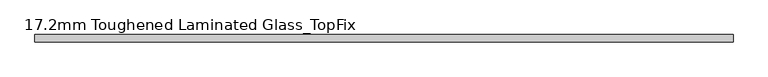
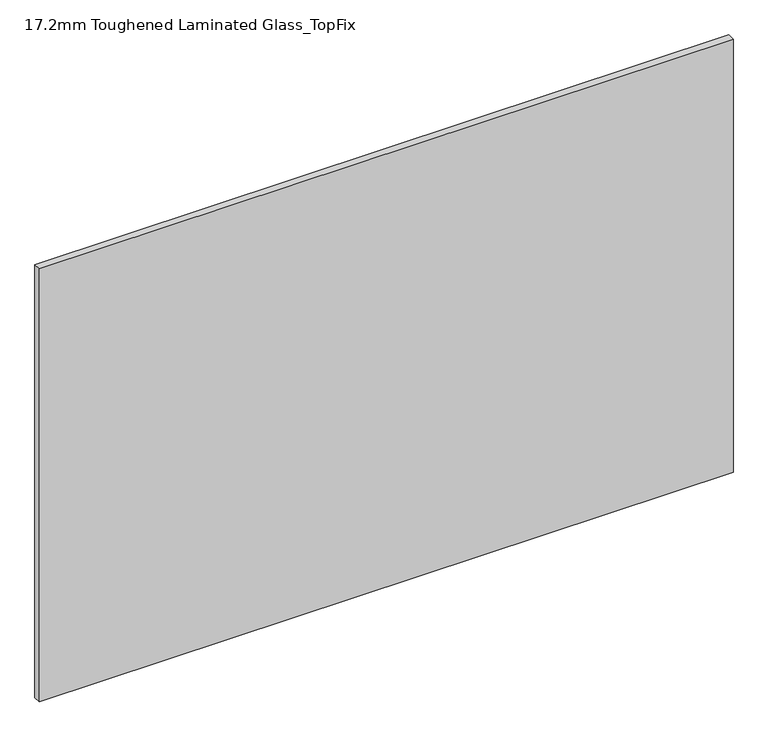
"""IFC4 building model written with IfcOpenShell, lengths in millimetres: plate geometry, 17.2mm Toughened Laminated Glass_TopFix."""

import ifcopenshell
import ifcopenshell.guid

model = None  # the IFC model being written
_history = None  # IfcOwnerHistory: only IFC2X3 demands one
_inside = {}  # id of a spatial element -> (the spatial element, [elements in it])
_under = {}  # id of a project, library or spatial element -> (it, [spatial elements below it])
_declared = {}  # id of a project -> (the project, [libraries it declares])
_typed = {}  # id of a type object -> (the type object, [elements of that type])
_made_of = {}  # id of a material, layer set ... -> (it, [elements and type objects made of it])


def new_model(schema):
    """Start an empty IFC model of exactly this schema.

    Asked for "IFC4X3", IfcOpenShell would pick the latest addendum, in which some entities
    have other attributes; the version numbers below select the first issue.
    IFC2X3 requires an IfcOwnerHistory on every rooted entity: one is made here for all.
    """
    global model, _history
    if schema == "IFC4X3":
        model = ifcopenshell.file(schema_version=(4, 3, 0, 0))
    else:
        model = ifcopenshell.file(schema=schema)
    _inside.clear()
    _under.clear()
    _declared.clear()
    _typed.clear()
    _made_of.clear()
    _history = None
    if model.schema == "IFC2X3":
        org = make("IfcOrganization", Name="unknown")
        user = make(
            "IfcPersonAndOrganization",
            ThePerson=make("IfcPerson", FamilyName="unknown"),
            TheOrganization=org,
        )
        app = make(
            "IfcApplication",
            ApplicationDeveloper=org,
            Version="unknown",
            ApplicationFullName="unknown",
            ApplicationIdentifier="unknown",
        )
        _history = make(
            "IfcOwnerHistory",
            OwningUser=user,
            OwningApplication=app,
            ChangeAction="ADDED",
            CreationDate=0,
        )
    return model


def make(cls, **values):
    """One entity of the class cls with the attributes given. An attribute that is None is left unset."""
    return model.create_entity(
        cls, **{name: value for name, value in values.items() if value is not None}
    )


def rooted(cls, **values):
    """An entity with a GlobalId (a new one), such as an element, a storey or a relation."""
    return make(cls, GlobalId=ifcopenshell.guid.new(), OwnerHistory=_history, **values)


def si_unit(unit_type, name, prefix=None):
    """IfcSIUnit, for example si_unit("LENGTHUNIT", "METRE", prefix="MILLI")."""
    return make("IfcSIUnit", UnitType=unit_type, Prefix=prefix, Name=name)


def assignment(units):
    """IfcUnitAssignment: the units of a project."""
    return None if units is None else make("IfcUnitAssignment", Units=units)


def point(xyz):
    """IfcCartesianPoint."""
    return None if xyz is None else make("IfcCartesianPoint", Coordinates=xyz)


def direction(xyz):
    """IfcDirection."""
    return None if xyz is None else make("IfcDirection", DirectionRatios=xyz)


def frame(location, z_axis=None, x_axis=None):
    """IfcAxis2Placement3D, a coordinate frame: its origin and axes. An axis left out is left unset."""
    return make(
        "IfcAxis2Placement3D",
        Location=point(location),
        Axis=direction(z_axis),
        RefDirection=direction(x_axis),
    )


def origin():
    """The frame at (0, 0, 0) with its axes left unset."""
    return frame((0.0, 0.0, 0.0))


def origin_with_axes():
    """The frame at (0, 0, 0) with the z axis (0, 0, 1) and the x axis (1, 0, 0) written out."""
    return frame((0.0, 0.0, 0.0), z_axis=(0.0, 0.0, 1.0), x_axis=(1.0, 0.0, 0.0))


def place(relative_to, where):
    """IfcLocalPlacement: puts the frame where relative to a parent placement (None: the world)."""
    return make(
        "IfcLocalPlacement", PlacementRelTo=relative_to, RelativePlacement=where
    )


def context(
    kind, dimensions, precision=None, world=None, true_north=None, identifier=None
):
    """IfcGeometricRepresentationContext, for example the 3D "Model" context."""
    return make(
        "IfcGeometricRepresentationContext",
        ContextIdentifier=identifier,
        ContextType=kind,
        CoordinateSpaceDimension=dimensions,
        Precision=precision,
        WorldCoordinateSystem=world,
        TrueNorth=true_north,
    )


def project(units=None, contexts=None):
    """IfcProject with its units and contexts."""
    return rooted(
        "IfcProject",
        Name="project",
        RepresentationContexts=contexts,
        UnitsInContext=assignment(units),
    )


def spatial(cls, under=None, at=None, **own):
    """A site, building, storey or space (cls), placed at a placement, below another one or the project."""
    s = rooted(cls, ObjectPlacement=at, **own)
    if under is not None:
        _under.setdefault(under.id(), (under, []))[1].append(s)
    return s


def polyline(points):
    """IfcPolyline through the points."""
    return make("IfcPolyline", Points=[point(p) for p in points])


def outline(outer, holes=None, kind="AREA"):
    """IfcArbitraryClosedProfileDef: a profile drawn as a closed curve; with holes, ...WithVoids."""
    if holes is None:
        return make("IfcArbitraryClosedProfileDef", ProfileType=kind, OuterCurve=outer)
    return make(
        "IfcArbitraryProfileDefWithVoids",
        ProfileType=kind,
        OuterCurve=outer,
        InnerCurves=holes,
    )


def extrude(swept, where, along, depth):
    """IfcExtrudedAreaSolid: the profile swept, set in the frame where, extruded along a direction by depth."""
    return make(
        "IfcExtrudedAreaSolid",
        SweptArea=swept,
        Position=where,
        ExtrudedDirection=direction(along),
        Depth=depth,
    )


def shape(context_of_items, identifier, shape_type, items):
    """IfcShapeRepresentation: the items that make up one representation, for example the "Body"."""
    return make(
        "IfcShapeRepresentation",
        ContextOfItems=context_of_items,
        RepresentationIdentifier=identifier,
        RepresentationType=shape_type,
        Items=items,
    )


def source(mapping_origin, context_of_items, identifier, shape_type, items):
    """IfcRepresentationMap: a shape defined once, which mapped items show again and again."""
    return make(
        "IfcRepresentationMap",
        MappingOrigin=mapping_origin,
        MappedRepresentation=shape(context_of_items, identifier, shape_type, items),
    )


def transform(
    local_origin,
    x_axis=None,
    y_axis=None,
    z_axis=None,
    scale=None,
    scale2=None,
    scale3=None,
    uniform=True,
):
    """IfcCartesianTransformationOperator3D, or its non-uniform kind. x_axis, y_axis, z_axis: its Axis1, 2, 3."""
    if uniform:
        return make(
            "IfcCartesianTransformationOperator3D",
            Axis1=direction(x_axis),
            Axis2=direction(y_axis),
            LocalOrigin=point(local_origin),
            Scale=scale,
            Axis3=direction(z_axis),
        )
    return make(
        "IfcCartesianTransformationOperator3DnonUniform",
        Axis1=direction(x_axis),
        Axis2=direction(y_axis),
        LocalOrigin=point(local_origin),
        Scale=scale,
        Axis3=direction(z_axis),
        Scale2=scale2,
        Scale3=scale3,
    )


def mapped(mapping_source, mapping_target):
    """IfcMappedItem: shows the shape of a source again, moved by a transform."""
    return make(
        "IfcMappedItem", MappingSource=mapping_source, MappingTarget=mapping_target
    )


def made_of(thing, what):
    """Note that an element or type object is made of a material, layer set ...; save() writes the relation."""
    if what is not None:
        _made_of.setdefault(what.id(), (what, []))[1].append(thing)
    return thing


def element(
    cls,
    number,
    at=None,
    inside=None,
    cuts=None,
    type_object=None,
    material=None,
    context=None,
    identifier="Body",
    shape_type=None,
    held_by="IfcProductDefinitionShape",
    body=None,
    shapes=None,
    **own,
):
    """One element of the class cls, such as IfcWall. Its Tag is "e" and its number.

    at: its placement. inside: the storey or other place that contains it. cuts: it is an
    opening in that element (IfcRelVoidsElement). A single representation is given by context,
    identifier, shape_type and body (its items); several are given by shapes. held_by: the class
    of the entity that holds the representations. save() writes the other relations.
    """
    e = rooted(cls, Tag="e%d" % number, ObjectPlacement=at, **own)
    if body is not None:
        shapes = [shape(context, identifier, shape_type, body)]
    if shapes is not None:
        e.Representation = make(held_by, Representations=shapes)
    if inside is not None:
        _inside.setdefault(inside.id(), (inside, []))[1].append(e)
    if cuts is not None:
        rooted(
            "IfcRelVoidsElement", RelatingBuildingElement=cuts, RelatedOpeningElement=e
        )
    if type_object is not None:
        _typed.setdefault(type_object.id(), (type_object, []))[1].append(e)
    return made_of(e, material)


def aggregate(whole, parts):
    """IfcRelAggregates: a whole, such as a stair, and the parts it consists of."""
    return rooted("IfcRelAggregates", RelatingObject=whole, RelatedObjects=parts)


def save(model, path):
    """Write the relations noted so far, then the file.

    IfcRelAggregates (storeys below a building ...), IfcRelContainedInSpatialStructure (elements
    in a storey), IfcRelDefinesByType, IfcRelAssociatesMaterial and IfcRelDeclares: one each for
    every whole, place, type object, material and project.
    """
    for whole, parts in _under.values():
        aggregate(whole, parts)
    for where, things in _inside.values():
        rooted(
            "IfcRelContainedInSpatialStructure",
            RelatedElements=things,
            RelatingStructure=where,
        )
    for kind, things in _typed.values():
        rooted("IfcRelDefinesByType", RelatedObjects=things, RelatingType=kind)
    for what, things in _made_of.values():
        rooted("IfcRelAssociatesMaterial", RelatedObjects=things, RelatingMaterial=what)
    for by, libraries in _declared.values():
        rooted("IfcRelDeclares", RelatingContext=by, RelatedDefinitions=libraries)
    model.write(path)


def plate_17_2mm_toughened_laminated_glass_topfix_3a78b5e3(model_context):
    return source(origin(), model_context, "Body", "SweptSolid", [
        extrude(outline(polyline([(795.0000001, 8.6), (795.0000001, -8.6), (-795.0000001, -8.6), (-795.0000001, 8.6), (795.0000001, 8.6)])), origin_with_axes(), (0.0, 0.0, 1.0), 1049.0),
    ])


if __name__ == "__main__":
    model = new_model("IFC4")
    model_context = context("Model", 3, world=origin())
    ifc_project = project(units=[si_unit("LENGTHUNIT", "METRE", prefix="MILLI")], contexts=[model_context])
    site = spatial("IfcSite", under=ifc_project)
    building = spatial("IfcBuilding", under=site)
    placement = place(None, origin())
    plate_17_2mm_toughened_laminated_glass_topfix_shape = plate_17_2mm_toughened_laminated_glass_topfix_3a78b5e3(model_context)
    element("IfcPlate", 1, ObjectType="17.2mm Toughened Laminated Glass_TopFix", at=placement, inside=building, context=model_context, shape_type="MappedRepresentation", body=[
        mapped(plate_17_2mm_toughened_laminated_glass_topfix_shape, transform((0.0, 0.0, 0.0), x_axis=(1.0, 0.0, 0.0), y_axis=(0.0, 1.0, 0.0), z_axis=(0.0, 0.0, 1.0))),
    ])
    save(model, "model.ifc")
